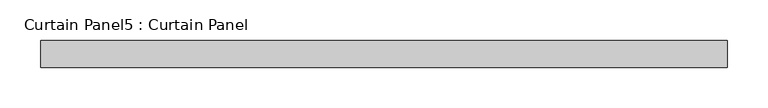
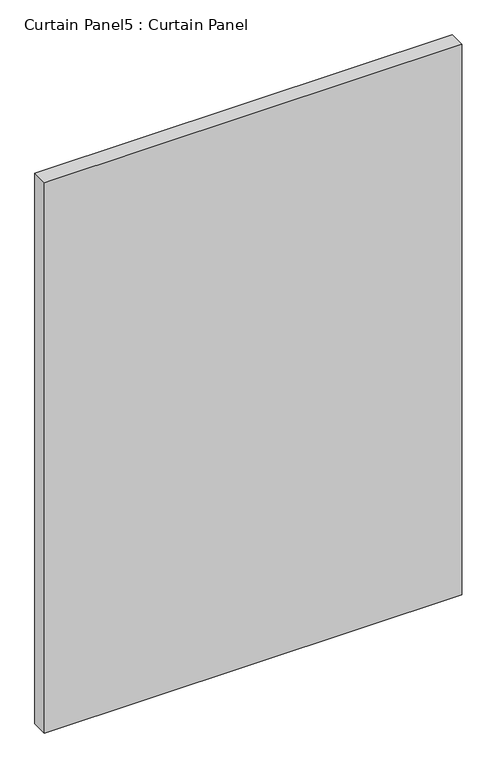
"""IFC4 building model written with IfcOpenShell, lengths in millimetres: plate geometry, Curtain Panel5 : Curtain Panel."""

from ifc_helpers import new_model, si_unit, frame, origin, place, context, project, spatial, polyline, outline, extrude, source, transform, mapped, element, save


def curtain_panel5_curtain_panel_9b20a6cd(model_context):
    return source(origin(), model_context, "Body", "SweptSolid", [
        extrude(outline(polyline([(-94420.3452277, 89423.4998987), (-95267.3873562, 89423.4998987), (-95267.3873562, 89456.8373987), (-94420.3452277, 89456.8373987), (-94420.3452277, 89423.4998987)])), frame((0.0, 0.0, 1238.25), z_axis=(0.0, 0.0, 1.0), x_axis=(1.0, 0.0, 0.0)), (0.0, 0.0, 1.0), 1181.1),
    ])


if __name__ == "__main__":
    model = new_model("IFC4")
    model_context = context("Model", 3, world=origin())
    ifc_project = project(units=[si_unit("LENGTHUNIT", "METRE", prefix="MILLI")], contexts=[model_context])
    site = spatial("IfcSite", under=ifc_project)
    building = spatial("IfcBuilding", under=site)
    placement = place(None, origin())
    curtain_panel5_curtain_panel_shape = curtain_panel5_curtain_panel_9b20a6cd(model_context)
    element("IfcPlate", 1, ObjectType="Curtain Panel5 : Curtain Panel", at=placement, inside=building, context=model_context, shape_type="MappedRepresentation", body=[
        mapped(curtain_panel5_curtain_panel_shape, transform((0.0, 0.0, 0.0), x_axis=(1.0, 0.0, 0.0), y_axis=(0.0, 1.0, 0.0), z_axis=(0.0, 0.0, 1.0))),
    ])
    save(model, "model.ifc")
